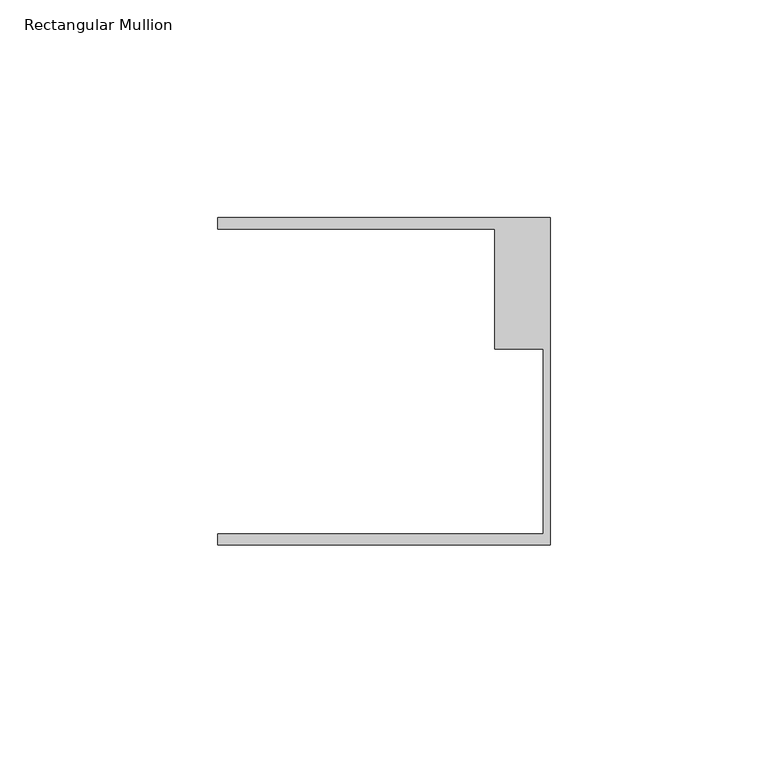
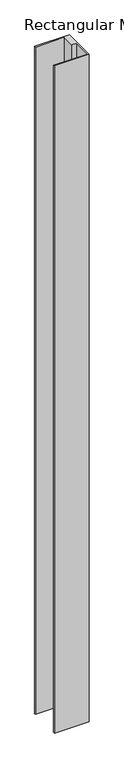
"""IFC4 building model written with IfcOpenShell, lengths in millimetres: member geometry, Rectangular Mullion."""

from ifc_helpers import new_model, si_unit, frame, origin, place, context, project, spatial, polyline, outline, extrude, source, transform, mapped, element, save


def rectangular_mullion_cbd6f86c(model_context):
    return source(origin(), model_context, "Body", "SweptSolid", [
        extrude(outline(polyline([(0.0, -37.5776386), (-76.2, -37.5776386), (-76.2, -35.0376386), (-1.5875, -35.0376386), (-1.5875, 7.3398614), (-12.7, 7.3398614), (-12.7, 34.9623614), (-76.2, 34.9623614), (-76.2, 37.5023614), (0.0, 37.5023614), (0.0, -37.5776386)])), frame((0.0, 0.0, -1552.971875), z_axis=(0.0, 0.0, 1.0), x_axis=(1.0, 0.0, 0.0)), (0.0, 0.0, 1.0), 1552.971875),
    ])


if __name__ == "__main__":
    model = new_model("IFC4")
    model_context = context("Model", 3, world=origin())
    ifc_project = project(units=[si_unit("LENGTHUNIT", "METRE", prefix="MILLI")], contexts=[model_context])
    site = spatial("IfcSite", under=ifc_project)
    building = spatial("IfcBuilding", under=site)
    placement = place(None, origin())
    rectangular_mullion_shape = rectangular_mullion_cbd6f86c(model_context)
    element("IfcMember", 1, ObjectType="Rectangular Mullion", at=placement, inside=building, context=model_context, shape_type="MappedRepresentation", body=[
        mapped(rectangular_mullion_shape, transform((0.0, 0.0, 0.0), x_axis=(1.0, 0.0, 0.0), y_axis=(0.0, 1.0, 0.0), z_axis=(0.0, 0.0, 1.0))),
    ])
    save(model, "model.ifc")
